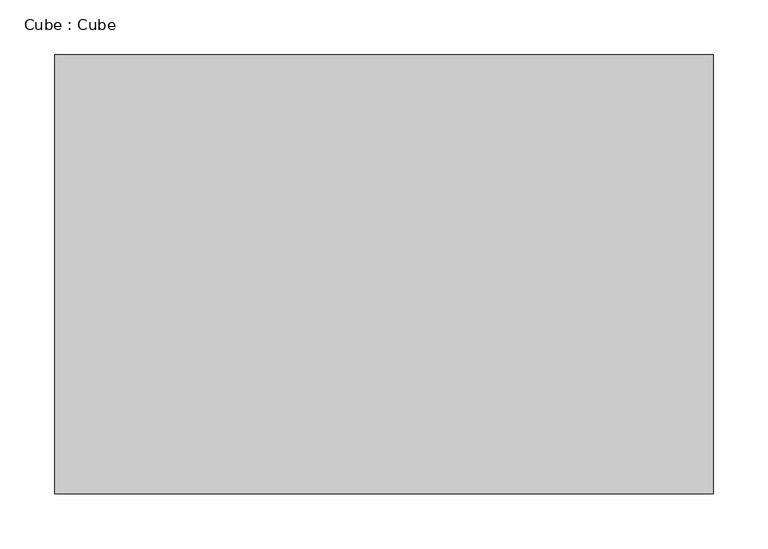
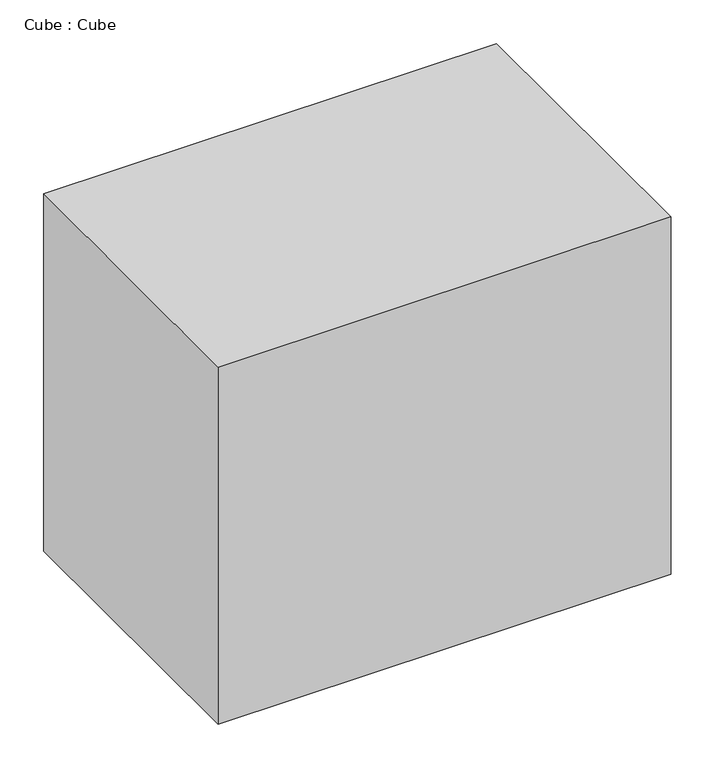
"""IFC4 building model written with IfcOpenShell, lengths in millimetres: proxy geometry, Cube : Cube."""

from ifc_helpers import new_model, si_unit, origin, origin_with_axes, place, context, project, spatial, polyline, outline, extrude, source, transform, mapped, element, save


def cube_cube_34fdff59(model_context):
    return source(origin(), model_context, "Body", "SweptSolid", [
        extrude(outline(polyline([(300.0, 200.0), (300.0, -200.0), (-300.0, -200.0), (-300.0, 200.0), (300.0, 200.0)])), origin_with_axes(), (0.0, 0.0, 1.0), 500.0),
    ])


if __name__ == "__main__":
    model = new_model("IFC4")
    model_context = context("Model", 3, world=origin())
    ifc_project = project(units=[si_unit("LENGTHUNIT", "METRE", prefix="MILLI")], contexts=[model_context])
    site = spatial("IfcSite", under=ifc_project)
    building = spatial("IfcBuilding", under=site)
    placement = place(None, origin())
    cube_cube_shape = cube_cube_34fdff59(model_context)
    element("IfcBuildingElementProxy", 1, Name="Cube : Cube", ObjectType="Cube : Cube", at=placement, inside=building, context=model_context, shape_type="MappedRepresentation", body=[
        mapped(cube_cube_shape, transform((0.0, 0.0, 0.0), x_axis=(1.0, 0.0, 0.0), y_axis=(0.0, 1.0, 0.0), z_axis=(0.0, 0.0, 1.0))),
    ])
    save(model, "model.ifc")
